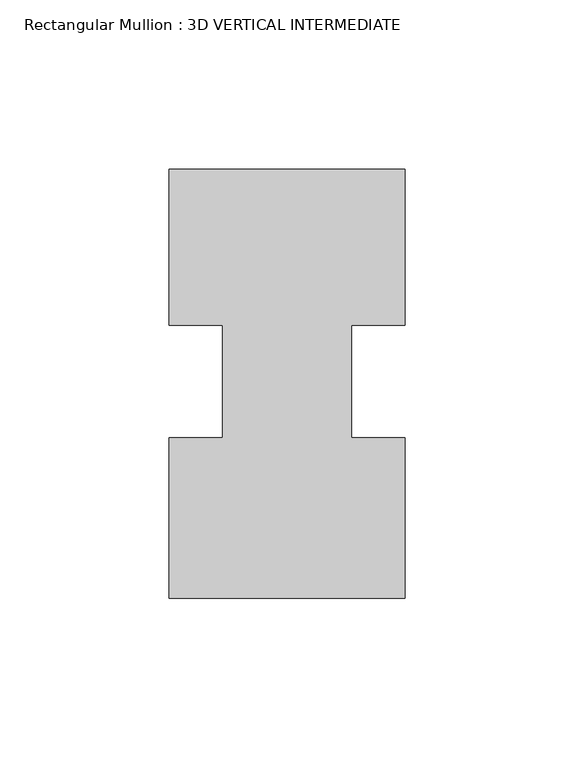
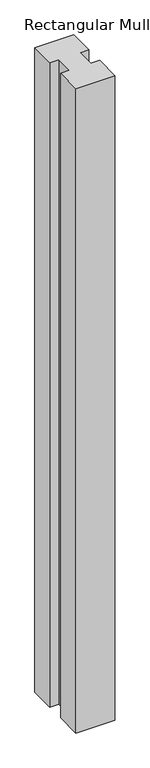
"""IFC4 building model written with IfcOpenShell, lengths in millimetres: member geometry, Rectangular Mullion : 3D VERTICAL INTERMEDIATE."""

from ifc_helpers import new_model, si_unit, frame, origin, place, context, project, spatial, polyline, outline, extrude, source, transform, mapped, element, save


def rectangular_mullion_3d_vertical_intermediate_ceb6eda2(model_context):
    return source(origin(), model_context, "Body", "SweptSolid", [
        extrude(outline(polyline([(35.0173164, 62.8615883), (35.0173164, 16.6786782), (19.1423164, 16.6786782), (19.1423164, -16.6786782), (35.0173157, -16.6786782), (35.0173157, -64.1384117), (-34.925, -64.1384117), (-34.925, -16.6786782), (-19.05, -16.6786782), (-19.05, 16.6786782), (-34.925, 16.6786782), (-34.925, 62.8615883), (35.0173164, 62.8615883)])), frame((0.0, 0.0, -1219.2), z_axis=(0.0, 0.0, 1.0), x_axis=(1.0, 0.0, 0.0)), (0.0, 0.0, 1.0), 1219.2),
    ])


if __name__ == "__main__":
    model = new_model("IFC4")
    model_context = context("Model", 3, world=origin())
    ifc_project = project(units=[si_unit("LENGTHUNIT", "METRE", prefix="MILLI")], contexts=[model_context])
    site = spatial("IfcSite", under=ifc_project)
    building = spatial("IfcBuilding", under=site)
    placement = place(None, origin())
    rectangular_mullion_3d_vertical_intermediate_shape = rectangular_mullion_3d_vertical_intermediate_ceb6eda2(model_context)
    element("IfcMember", 1, ObjectType="Rectangular Mullion : 3D VERTICAL INTERMEDIATE", at=placement, inside=building, context=model_context, shape_type="MappedRepresentation", body=[
        mapped(rectangular_mullion_3d_vertical_intermediate_shape, transform((0.0, 0.0, 0.0), x_axis=(1.0, 0.0, 0.0), y_axis=(0.0, 1.0, 0.0), z_axis=(0.0, 0.0, 1.0))),
    ])
    save(model, "model.ifc")
